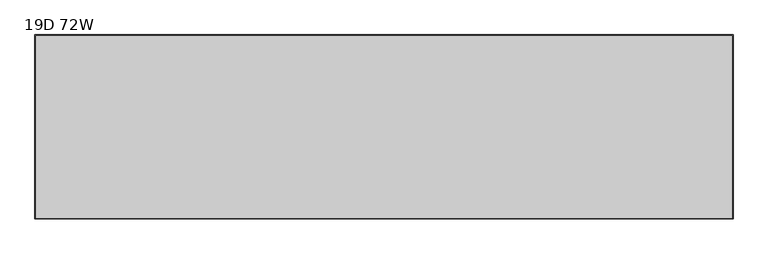
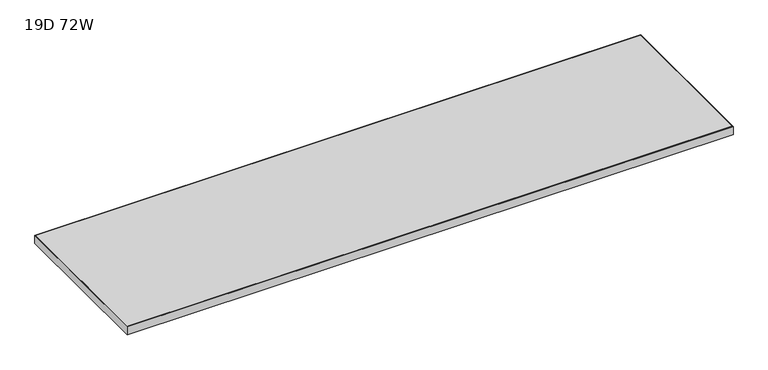
"""IFC4 building model written with IfcOpenShell, lengths in millimetres: furniture geometry, 19D 72W."""

from ifc_helpers import new_model, si_unit, frame, origin, place, context, project, spatial, polyline, outline, extrude, source, transform, mapped, element, save


def furniture_19d_72w_1467b976(model_context):
    return source(origin(), model_context, "Body", "SweptSolid", [
        extrude(outline(polyline([(1827.2125, -1.5875), (1827.2125, -481.0125), (1.5875, -481.0125), (1.5875, -1.5875), (1827.2125, -1.5875)])), frame((0.0, 0.0, 889.0), z_axis=(0.0, 0.0, 1.0), x_axis=(1.0, 0.0, 0.0)), (0.0, 0.0, 1.0), 25.4),
        extrude(outline(polyline([(0.0, 0.0), (1828.8, 0.0), (1828.8, -482.6), (0.0, -482.6), (0.0, 0.0)]), holes=[polyline([(1.5875, -481.0125), (1827.2125, -481.0125), (1827.2125, -1.5875), (1.5875, -1.5875), (1.5875, -481.0125)])]), frame((0.0, 0.0, 889.0), z_axis=(0.0, 0.0, 1.0), x_axis=(1.0, 0.0, 0.0)), (0.0, 0.0, 1.0), 25.4),
    ])


if __name__ == "__main__":
    model = new_model("IFC4")
    model_context = context("Model", 3, world=origin())
    ifc_project = project(units=[si_unit("LENGTHUNIT", "METRE", prefix="MILLI")], contexts=[model_context])
    site = spatial("IfcSite", under=ifc_project)
    building = spatial("IfcBuilding", under=site)
    placement = place(None, origin())
    furniture_19d_72w_shape = furniture_19d_72w_1467b976(model_context)
    element("IfcFurniture", 1, ObjectType="19D 72W", at=placement, inside=building, context=model_context, shape_type="MappedRepresentation", body=[
        mapped(furniture_19d_72w_shape, transform((0.0, 0.0, 0.0), x_axis=(1.0, 0.0, 0.0), y_axis=(0.0, 1.0, 0.0), z_axis=(0.0, 0.0, 1.0))),
    ])
    save(model, "model.ifc")
